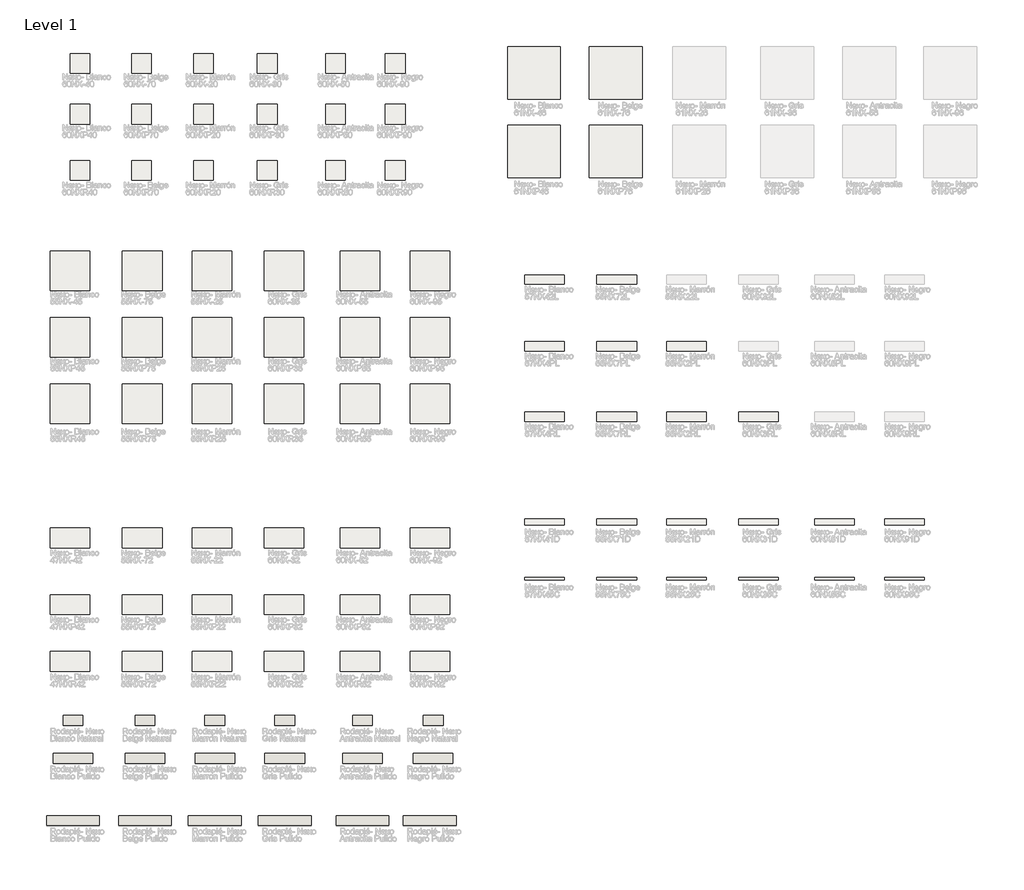
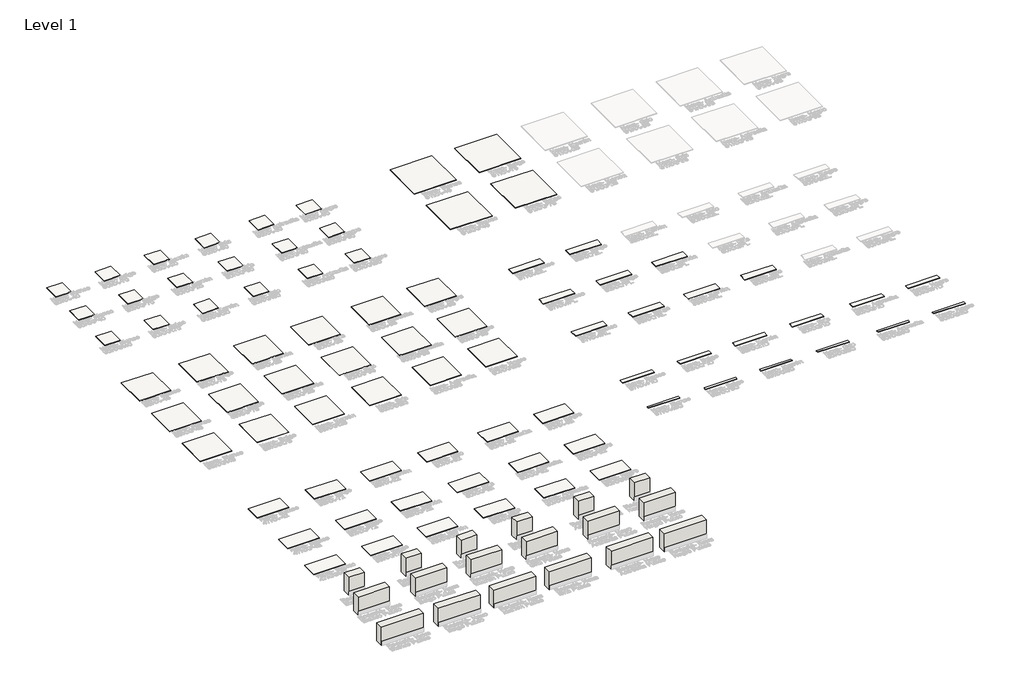
# One storey, part 1 of 45: 79 slabs, 18 walls.
"""IFC4 building model written with IfcOpenShell, lengths in millimetres."""

from ifc_helpers import new_model, si_unit, frame, origin, origin_with_axes, place, context, project, spatial, polyline, outline, extrude, element, save

model = new_model("IFC4")

# Units and contexts
model_context = context("Model", 3, world=origin())
ifc_project = project(units=[si_unit("LENGTHUNIT", "METRE", prefix="MILLI")], contexts=[model_context])

# Site, building, storey
site = spatial("IfcSite", under=ifc_project)
building = spatial("IfcBuilding", under=site)
storey = spatial("IfcBuildingStorey", under=building, Name="Level 1", Elevation=0.0)

# Slabs
placement = place(None, origin())
element("IfcSlab", 1, at=placement, inside=storey, context=model_context, shape_type="SweptSolid", body=[
    extrude(outline(polyline([(-8738.4983754, 6228.7990308), (-8738.4983754, 5928.7990308), (-9038.4983754, 5928.7990308), (-9038.4983754, 6228.7990308), (-8738.4983754, 6228.7990308)])), frame((0.0, 0.0, -10.0), z_axis=(0.0, 0.0, 1.0), x_axis=(1.0, 0.0, 0.0)), (0.0, 0.0, 1.0), 10.0),
])
element("IfcSlab", 2, at=placement, inside=storey, context=model_context, shape_type="SweptSolid", body=[
    extrude(outline(polyline([(-7805.7831247, 6228.7990308), (-7805.7831247, 5928.7990308), (-8105.7831247, 5928.7990308), (-8105.7831247, 6228.7990308), (-7805.7831247, 6228.7990308)])), frame((0.0, 0.0, -10.0), z_axis=(0.0, 0.0, 1.0), x_axis=(1.0, 0.0, 0.0)), (0.0, 0.0, 1.0), 10.0),
])
element("IfcSlab", 3, at=placement, inside=storey, context=model_context, shape_type="SweptSolid", body=[
    extrude(outline(polyline([(-6865.4548413, 6228.7990308), (-6865.4548413, 5928.7990308), (-7165.4548413, 5928.7990308), (-7165.4548413, 6228.7990308), (-6865.4548413, 6228.7990308)])), frame((0.0, 0.0, -10.0), z_axis=(0.0, 0.0, 1.0), x_axis=(1.0, 0.0, 0.0)), (0.0, 0.0, 1.0), 10.0),
])
element("IfcSlab", 4, at=placement, inside=storey, context=model_context, shape_type="SweptSolid", body=[
    extrude(outline(polyline([(-5898.5017333, 6228.7990308), (-5898.5017333, 5928.7990308), (-6198.5017333, 5928.7990308), (-6198.5017333, 6228.7990308), (-5898.5017333, 6228.7990308)])), frame((0.0, 0.0, -10.0), z_axis=(0.0, 0.0, 1.0), x_axis=(1.0, 0.0, 0.0)), (0.0, 0.0, 1.0), 10.0),
])
element("IfcSlab", 5, at=placement, inside=storey, context=model_context, shape_type="SweptSolid", body=[
    extrude(outline(polyline([(-4863.428057, 6228.7990308), (-4863.428057, 5928.7990308), (-5163.428057, 5928.7990308), (-5163.428057, 6228.7990308), (-4863.428057, 6228.7990308)])), frame((0.0, 0.0, -10.0), z_axis=(0.0, 0.0, 1.0), x_axis=(1.0, 0.0, 0.0)), (0.0, 0.0, 1.0), 10.0),
])
element("IfcSlab", 6, at=placement, inside=storey, context=model_context, shape_type="SweptSolid", body=[
    extrude(outline(polyline([(-3959.8652349, 6228.7990308), (-3959.8652349, 5928.7990308), (-4259.8652349, 5928.7990308), (-4259.8652349, 6228.7990308), (-3959.8652349, 6228.7990308)])), frame((0.0, 0.0, -10.0), z_axis=(0.0, 0.0, 1.0), x_axis=(1.0, 0.0, 0.0)), (0.0, 0.0, 1.0), 10.0),
])
element("IfcSlab", 7, at=placement, inside=storey, context=model_context, shape_type="SweptSolid", body=[
    extrude(outline(polyline([(-8738.4983754, 5456.4355685), (-8738.4983754, 5156.4355685), (-9038.4983754, 5156.4355685), (-9038.4983754, 5456.4355685), (-8738.4983754, 5456.4355685)])), frame((0.0, 0.0, -10.0), z_axis=(0.0, 0.0, 1.0), x_axis=(1.0, 0.0, 0.0)), (0.0, 0.0, 1.0), 10.0),
])
element("IfcSlab", 8, at=placement, inside=storey, context=model_context, shape_type="SweptSolid", body=[
    extrude(outline(polyline([(-7805.7831247, 5456.4355685), (-7805.7831247, 5156.4355685), (-8105.7831247, 5156.4355685), (-8105.7831247, 5456.4355685), (-7805.7831247, 5456.4355685)])), frame((0.0, 0.0, -10.0), z_axis=(0.0, 0.0, 1.0), x_axis=(1.0, 0.0, 0.0)), (0.0, 0.0, 1.0), 10.0),
])
element("IfcSlab", 9, at=placement, inside=storey, context=model_context, shape_type="SweptSolid", body=[
    extrude(outline(polyline([(-6865.4548413, 5456.4355685), (-6865.4548413, 5156.4355685), (-7165.4548413, 5156.4355685), (-7165.4548413, 5456.4355685), (-6865.4548413, 5456.4355685)])), frame((0.0, 0.0, -10.0), z_axis=(0.0, 0.0, 1.0), x_axis=(1.0, 0.0, 0.0)), (0.0, 0.0, 1.0), 10.0),
])
element("IfcSlab", 10, at=placement, inside=storey, context=model_context, shape_type="SweptSolid", body=[
    extrude(outline(polyline([(-5898.5017333, 5456.4355685), (-5898.5017333, 5156.4355685), (-6198.5017333, 5156.4355685), (-6198.5017333, 5456.4355685), (-5898.5017333, 5456.4355685)])), frame((0.0, 0.0, -10.0), z_axis=(0.0, 0.0, 1.0), x_axis=(1.0, 0.0, 0.0)), (0.0, 0.0, 1.0), 10.0),
])
element("IfcSlab", 11, at=placement, inside=storey, context=model_context, shape_type="SweptSolid", body=[
    extrude(outline(polyline([(-4863.428057, 5456.4355685), (-4863.428057, 5156.4355685), (-5163.428057, 5156.4355685), (-5163.428057, 5456.4355685), (-4863.428057, 5456.4355685)])), frame((0.0, 0.0, -10.0), z_axis=(0.0, 0.0, 1.0), x_axis=(1.0, 0.0, 0.0)), (0.0, 0.0, 1.0), 10.0),
])
element("IfcSlab", 12, at=placement, inside=storey, context=model_context, shape_type="SweptSolid", body=[
    extrude(outline(polyline([(-3959.8652349, 5456.4355685), (-3959.8652349, 5156.4355685), (-4259.8652349, 5156.4355685), (-4259.8652349, 5456.4355685), (-3959.8652349, 5456.4355685)])), frame((0.0, 0.0, -10.0), z_axis=(0.0, 0.0, 1.0), x_axis=(1.0, 0.0, 0.0)), (0.0, 0.0, 1.0), 10.0),
])
element("IfcSlab", 13, at=placement, inside=storey, context=model_context, shape_type="SweptSolid", body=[
    extrude(outline(polyline([(-8738.4983754, 4604.0721062), (-8738.4983754, 4304.0721062), (-9038.4983754, 4304.0721062), (-9038.4983754, 4604.0721062), (-8738.4983754, 4604.0721062)])), frame((0.0, 0.0, -10.0), z_axis=(0.0, 0.0, 1.0), x_axis=(1.0, 0.0, 0.0)), (0.0, 0.0, 1.0), 10.0),
])
element("IfcSlab", 14, at=placement, inside=storey, context=model_context, shape_type="SweptSolid", body=[
    extrude(outline(polyline([(-7805.7831247, 4604.0721062), (-7805.7831247, 4304.0721062), (-8105.7831247, 4304.0721062), (-8105.7831247, 4604.0721062), (-7805.7831247, 4604.0721062)])), frame((0.0, 0.0, -10.0), z_axis=(0.0, 0.0, 1.0), x_axis=(1.0, 0.0, 0.0)), (0.0, 0.0, 1.0), 10.0),
])
element("IfcSlab", 15, at=placement, inside=storey, context=model_context, shape_type="SweptSolid", body=[
    extrude(outline(polyline([(-6865.4548413, 4604.0721062), (-6865.4548413, 4304.0721062), (-7165.4548413, 4304.0721062), (-7165.4548413, 4604.0721062), (-6865.4548413, 4604.0721062)])), frame((0.0, 0.0, -10.0), z_axis=(0.0, 0.0, 1.0), x_axis=(1.0, 0.0, 0.0)), (0.0, 0.0, 1.0), 10.0),
])
element("IfcSlab", 16, at=placement, inside=storey, context=model_context, shape_type="SweptSolid", body=[
    extrude(outline(polyline([(-5898.5017333, 4604.0721062), (-5898.5017333, 4304.0721062), (-6198.5017333, 4304.0721062), (-6198.5017333, 4604.0721062), (-5898.5017333, 4604.0721062)])), frame((0.0, 0.0, -10.0), z_axis=(0.0, 0.0, 1.0), x_axis=(1.0, 0.0, 0.0)), (0.0, 0.0, 1.0), 10.0),
])
element("IfcSlab", 17, at=placement, inside=storey, context=model_context, shape_type="SweptSolid", body=[
    extrude(outline(polyline([(-4863.428057, 4604.0721062), (-4863.428057, 4304.0721062), (-5163.428057, 4304.0721062), (-5163.428057, 4604.0721062), (-4863.428057, 4604.0721062)])), frame((0.0, 0.0, -10.0), z_axis=(0.0, 0.0, 1.0), x_axis=(1.0, 0.0, 0.0)), (0.0, 0.0, 1.0), 10.0),
])
element("IfcSlab", 18, at=placement, inside=storey, context=model_context, shape_type="SweptSolid", body=[
    extrude(outline(polyline([(-3959.8652349, 4604.0721062), (-3959.8652349, 4304.0721062), (-4259.8652349, 4304.0721062), (-4259.8652349, 4604.0721062), (-3959.8652349, 4604.0721062)])), frame((0.0, 0.0, -10.0), z_axis=(0.0, 0.0, 1.0), x_axis=(1.0, 0.0, 0.0)), (0.0, 0.0, 1.0), 10.0),
])
element("IfcSlab", 19, at=placement, inside=storey, context=model_context, shape_type="SweptSolid", body=[
    extrude(outline(polyline([(-1605.1051892, 6334.7078372), (-1605.1051892, 5534.7078372), (-2405.1051892, 5534.7078372), (-2405.1051892, 6334.7078372), (-1605.1051892, 6334.7078372)])), frame((0.0, 0.0, -10.0), z_axis=(0.0, 0.0, 1.0), x_axis=(1.0, 0.0, 0.0)), (0.0, 0.0, 1.0), 10.0),
])
element("IfcSlab", 20, at=placement, inside=storey, context=model_context, shape_type="SweptSolid", body=[
    extrude(outline(polyline([(-364.7769057, 6334.7078372), (-364.7769057, 5534.7078372), (-1164.7769057, 5534.7078372), (-1164.7769057, 6334.7078372), (-364.7769057, 6334.7078372)])), frame((0.0, 0.0, -10.0), z_axis=(0.0, 0.0, 1.0), x_axis=(1.0, 0.0, 0.0)), (0.0, 0.0, 1.0), 10.0),
])
element("IfcSlab", 21, at=placement, inside=storey, context=model_context, shape_type="SweptSolid", body=[
    extrude(outline(polyline([(-1605.1051892, 5143.8240732), (-1605.1051892, 4343.8240732), (-2405.1051892, 4343.8240732), (-2405.1051892, 5143.8240732), (-1605.1051892, 5143.8240732)])), frame((0.0, 0.0, -10.0), z_axis=(0.0, 0.0, 1.0), x_axis=(1.0, 0.0, 0.0)), (0.0, 0.0, 1.0), 10.0),
])
element("IfcSlab", 22, at=placement, inside=storey, context=model_context, shape_type="SweptSolid", body=[
    extrude(outline(polyline([(-364.7769057, 5143.8240732), (-364.7769057, 4343.8240732), (-1164.7769057, 4343.8240732), (-1164.7769057, 5143.8240732), (-364.7769057, 5143.8240732)])), frame((0.0, 0.0, -10.0), z_axis=(0.0, 0.0, 1.0), x_axis=(1.0, 0.0, 0.0)), (0.0, 0.0, 1.0), 10.0),
])
element("IfcSlab", 23, at=placement, inside=storey, context=model_context, shape_type="SweptSolid", body=[
    extrude(outline(polyline([(-8738.4983754, 3228.7990308), (-8738.4983754, 2628.7990308), (-9338.4983754, 2628.7990308), (-9338.4983754, 3228.7990308), (-8738.4983754, 3228.7990308)])), frame((0.0, 0.0, -10.0), z_axis=(0.0, 0.0, 1.0), x_axis=(1.0, 0.0, 0.0)), (0.0, 0.0, 1.0), 10.0),
])
element("IfcSlab", 24, at=placement, inside=storey, context=model_context, shape_type="SweptSolid", body=[
    extrude(outline(polyline([(-7645.7831247, 3228.7990308), (-7645.7831247, 2628.7990308), (-8245.7831247, 2628.7990308), (-8245.7831247, 3228.7990308), (-7645.7831247, 3228.7990308)])), frame((0.0, 0.0, -10.0), z_axis=(0.0, 0.0, 1.0), x_axis=(1.0, 0.0, 0.0)), (0.0, 0.0, 1.0), 10.0),
])
element("IfcSlab", 25, at=placement, inside=storey, context=model_context, shape_type="SweptSolid", body=[
    extrude(outline(polyline([(-6585.4548413, 3228.7990308), (-6585.4548413, 2628.7990308), (-7185.4548413, 2628.7990308), (-7185.4548413, 3228.7990308), (-6585.4548413, 3228.7990308)])), frame((0.0, 0.0, -10.0), z_axis=(0.0, 0.0, 1.0), x_axis=(1.0, 0.0, 0.0)), (0.0, 0.0, 1.0), 10.0),
])
element("IfcSlab", 26, at=placement, inside=storey, context=model_context, shape_type="SweptSolid", body=[
    extrude(outline(polyline([(-5498.5017333, 3228.7990308), (-5498.5017333, 2628.7990308), (-6098.5017333, 2628.7990308), (-6098.5017333, 3228.7990308), (-5498.5017333, 3228.7990308)])), frame((0.0, 0.0, -10.0), z_axis=(0.0, 0.0, 1.0), x_axis=(1.0, 0.0, 0.0)), (0.0, 0.0, 1.0), 10.0),
])
element("IfcSlab", 27, at=placement, inside=storey, context=model_context, shape_type="SweptSolid", body=[
    extrude(outline(polyline([(-4343.428057, 3228.7990308), (-4343.428057, 2628.7990308), (-4943.428057, 2628.7990308), (-4943.428057, 3228.7990308), (-4343.428057, 3228.7990308)])), frame((0.0, 0.0, -10.0), z_axis=(0.0, 0.0, 1.0), x_axis=(1.0, 0.0, 0.0)), (0.0, 0.0, 1.0), 10.0),
])
element("IfcSlab", 28, at=placement, inside=storey, context=model_context, shape_type="SweptSolid", body=[
    extrude(outline(polyline([(-3279.8652349, 3228.7990308), (-3279.8652349, 2628.7990308), (-3879.8652349, 2628.7990308), (-3879.8652349, 3228.7990308), (-3279.8652349, 3228.7990308)])), frame((0.0, 0.0, -10.0), z_axis=(0.0, 0.0, 1.0), x_axis=(1.0, 0.0, 0.0)), (0.0, 0.0, 1.0), 10.0),
])
element("IfcSlab", 29, at=placement, inside=storey, context=model_context, shape_type="SweptSolid", body=[
    extrude(outline(polyline([(-8738.4983754, 2221.3053972), (-8738.4983754, 1621.3053972), (-9338.4983754, 1621.3053972), (-9338.4983754, 2221.3053972), (-8738.4983754, 2221.3053972)])), frame((0.0, 0.0, -10.0), z_axis=(0.0, 0.0, 1.0), x_axis=(1.0, 0.0, 0.0)), (0.0, 0.0, 1.0), 10.0),
])
element("IfcSlab", 30, at=placement, inside=storey, context=model_context, shape_type="SweptSolid", body=[
    extrude(outline(polyline([(-7645.7831247, 2221.3053972), (-7645.7831247, 1621.3053972), (-8245.7831247, 1621.3053972), (-8245.7831247, 2221.3053972), (-7645.7831247, 2221.3053972)])), frame((0.0, 0.0, -10.0), z_axis=(0.0, 0.0, 1.0), x_axis=(1.0, 0.0, 0.0)), (0.0, 0.0, 1.0), 10.0),
])
element("IfcSlab", 31, at=placement, inside=storey, context=model_context, shape_type="SweptSolid", body=[
    extrude(outline(polyline([(-6585.4548413, 2221.3053972), (-6585.4548413, 1621.3053972), (-7185.4548413, 1621.3053972), (-7185.4548413, 2221.3053972), (-6585.4548413, 2221.3053972)])), frame((0.0, 0.0, -10.0), z_axis=(0.0, 0.0, 1.0), x_axis=(1.0, 0.0, 0.0)), (0.0, 0.0, 1.0), 10.0),
])
element("IfcSlab", 32, at=placement, inside=storey, context=model_context, shape_type="SweptSolid", body=[
    extrude(outline(polyline([(-5498.5017333, 2221.3053972), (-5498.5017333, 1621.3053972), (-6098.5017333, 1621.3053972), (-6098.5017333, 2221.3053972), (-5498.5017333, 2221.3053972)])), frame((0.0, 0.0, -10.0), z_axis=(0.0, 0.0, 1.0), x_axis=(1.0, 0.0, 0.0)), (0.0, 0.0, 1.0), 10.0),
])
element("IfcSlab", 33, at=placement, inside=storey, context=model_context, shape_type="SweptSolid", body=[
    extrude(outline(polyline([(-4343.428057, 2221.3053972), (-4343.428057, 1621.3053972), (-4943.428057, 1621.3053972), (-4943.428057, 2221.3053972), (-4343.428057, 2221.3053972)])), frame((0.0, 0.0, -10.0), z_axis=(0.0, 0.0, 1.0), x_axis=(1.0, 0.0, 0.0)), (0.0, 0.0, 1.0), 10.0),
])
element("IfcSlab", 34, at=placement, inside=storey, context=model_context, shape_type="SweptSolid", body=[
    extrude(outline(polyline([(-3279.8652349, 2221.3053972), (-3279.8652349, 1621.3053972), (-3879.8652349, 1621.3053972), (-3879.8652349, 2221.3053972), (-3279.8652349, 2221.3053972)])), frame((0.0, 0.0, -10.0), z_axis=(0.0, 0.0, 1.0), x_axis=(1.0, 0.0, 0.0)), (0.0, 0.0, 1.0), 10.0),
])
element("IfcSlab", 35, at=placement, inside=storey, context=model_context, shape_type="SweptSolid", body=[
    extrude(outline(polyline([(-8738.4983754, 1213.8117636), (-8738.4983754, 613.8117636), (-9338.4983754, 613.8117636), (-9338.4983754, 1213.8117636), (-8738.4983754, 1213.8117636)])), frame((0.0, 0.0, -10.0), z_axis=(0.0, 0.0, 1.0), x_axis=(1.0, 0.0, 0.0)), (0.0, 0.0, 1.0), 10.0),
])
element("IfcSlab", 36, at=placement, inside=storey, context=model_context, shape_type="SweptSolid", body=[
    extrude(outline(polyline([(-7645.7831247, 1213.8117636), (-7645.7831247, 613.8117636), (-8245.7831247, 613.8117636), (-8245.7831247, 1213.8117636), (-7645.7831247, 1213.8117636)])), frame((0.0, 0.0, -10.0), z_axis=(0.0, 0.0, 1.0), x_axis=(1.0, 0.0, 0.0)), (0.0, 0.0, 1.0), 10.0),
])
element("IfcSlab", 37, at=placement, inside=storey, context=model_context, shape_type="SweptSolid", body=[
    extrude(outline(polyline([(-6585.4548413, 1213.8117636), (-6585.4548413, 613.8117636), (-7185.4548413, 613.8117636), (-7185.4548413, 1213.8117636), (-6585.4548413, 1213.8117636)])), frame((0.0, 0.0, -10.0), z_axis=(0.0, 0.0, 1.0), x_axis=(1.0, 0.0, 0.0)), (0.0, 0.0, 1.0), 10.0),
])
element("IfcSlab", 38, at=placement, inside=storey, context=model_context, shape_type="SweptSolid", body=[
    extrude(outline(polyline([(-5498.5017333, 1213.8117636), (-5498.5017333, 613.8117636), (-6098.5017333, 613.8117636), (-6098.5017333, 1213.8117636), (-5498.5017333, 1213.8117636)])), frame((0.0, 0.0, -10.0), z_axis=(0.0, 0.0, 1.0), x_axis=(1.0, 0.0, 0.0)), (0.0, 0.0, 1.0), 10.0),
])
element("IfcSlab", 39, at=placement, inside=storey, context=model_context, shape_type="SweptSolid", body=[
    extrude(outline(polyline([(-4343.428057, 1213.8117636), (-4343.428057, 613.8117636), (-4943.428057, 613.8117636), (-4943.428057, 1213.8117636), (-4343.428057, 1213.8117636)])), frame((0.0, 0.0, -10.0), z_axis=(0.0, 0.0, 1.0), x_axis=(1.0, 0.0, 0.0)), (0.0, 0.0, 1.0), 10.0),
])
element("IfcSlab", 40, at=placement, inside=storey, context=model_context, shape_type="SweptSolid", body=[
    extrude(outline(polyline([(-3279.8652349, 1213.8117636), (-3279.8652349, 613.8117636), (-3879.8652349, 613.8117636), (-3879.8652349, 1213.8117636), (-3279.8652349, 1213.8117636)])), frame((0.0, 0.0, -10.0), z_axis=(0.0, 0.0, 1.0), x_axis=(1.0, 0.0, 0.0)), (0.0, 0.0, 1.0), 10.0),
])
element("IfcSlab", 41, at=placement, inside=storey, context=model_context, shape_type="SweptSolid", body=[
    extrude(outline(polyline([(-8738.4983754, -971.2009692), (-8738.4983754, -1271.2009692), (-9338.4983754, -1271.2009692), (-9338.4983754, -971.2009692), (-8738.4983754, -971.2009692)])), frame((0.0, 0.0, -10.0), z_axis=(0.0, 0.0, 1.0), x_axis=(1.0, 0.0, 0.0)), (0.0, 0.0, 1.0), 10.0),
])
element("IfcSlab", 42, at=placement, inside=storey, context=model_context, shape_type="SweptSolid", body=[
    extrude(outline(polyline([(-7645.7831247, -971.2009692), (-7645.7831247, -1271.2009692), (-8245.7831247, -1271.2009692), (-8245.7831247, -971.2009692), (-7645.7831247, -971.2009692)])), frame((0.0, 0.0, -10.0), z_axis=(0.0, 0.0, 1.0), x_axis=(1.0, 0.0, 0.0)), (0.0, 0.0, 1.0), 10.0),
])
element("IfcSlab", 43, at=placement, inside=storey, context=model_context, shape_type="SweptSolid", body=[
    extrude(outline(polyline([(-6585.4548413, -971.2009692), (-6585.4548413, -1271.2009692), (-7185.4548413, -1271.2009692), (-7185.4548413, -971.2009692), (-6585.4548413, -971.2009692)])), frame((0.0, 0.0, -10.0), z_axis=(0.0, 0.0, 1.0), x_axis=(1.0, 0.0, 0.0)), (0.0, 0.0, 1.0), 10.0),
])
element("IfcSlab", 44, at=placement, inside=storey, context=model_context, shape_type="SweptSolid", body=[
    extrude(outline(polyline([(-5498.5017333, -971.2009692), (-5498.5017333, -1271.2009692), (-6098.5017333, -1271.2009692), (-6098.5017333, -971.2009692), (-5498.5017333, -971.2009692)])), frame((0.0, 0.0, -10.0), z_axis=(0.0, 0.0, 1.0), x_axis=(1.0, 0.0, 0.0)), (0.0, 0.0, 1.0), 10.0),
])
element("IfcSlab", 45, at=placement, inside=storey, context=model_context, shape_type="SweptSolid", body=[
    extrude(outline(polyline([(-4343.428057, -971.2009692), (-4343.428057, -1271.2009692), (-4943.428057, -1271.2009692), (-4943.428057, -971.2009692), (-4343.428057, -971.2009692)])), frame((0.0, 0.0, -10.0), z_axis=(0.0, 0.0, 1.0), x_axis=(1.0, 0.0, 0.0)), (0.0, 0.0, 1.0), 10.0),
])
element("IfcSlab", 46, at=placement, inside=storey, context=model_context, shape_type="SweptSolid", body=[
    extrude(outline(polyline([(-3279.8652349, -971.2009692), (-3279.8652349, -1271.2009692), (-3879.8652349, -1271.2009692), (-3879.8652349, -971.2009692), (-3279.8652349, -971.2009692)])), frame((0.0, 0.0, -10.0), z_axis=(0.0, 0.0, 1.0), x_axis=(1.0, 0.0, 0.0)), (0.0, 0.0, 1.0), 10.0),
])
element("IfcSlab", 47, at=placement, inside=storey, context=model_context, shape_type="SweptSolid", body=[
    extrude(outline(polyline([(-8738.4983754, -1983.5644315), (-8738.4983754, -2283.5644315), (-9338.4983754, -2283.5644315), (-9338.4983754, -1983.5644315), (-8738.4983754, -1983.5644315)])), frame((0.0, 0.0, -10.0), z_axis=(0.0, 0.0, 1.0), x_axis=(1.0, 0.0, 0.0)), (0.0, 0.0, 1.0), 10.0),
])
element("IfcSlab", 48, at=placement, inside=storey, context=model_context, shape_type="SweptSolid", body=[
    extrude(outline(polyline([(-7645.7831247, -1983.5644315), (-7645.7831247, -2283.5644315), (-8245.7831247, -2283.5644315), (-8245.7831247, -1983.5644315), (-7645.7831247, -1983.5644315)])), frame((0.0, 0.0, -10.0), z_axis=(0.0, 0.0, 1.0), x_axis=(1.0, 0.0, 0.0)), (0.0, 0.0, 1.0), 10.0),
])
element("IfcSlab", 49, at=placement, inside=storey, context=model_context, shape_type="SweptSolid", body=[
    extrude(outline(polyline([(-6585.4548413, -1983.5644315), (-6585.4548413, -2283.5644315), (-7185.4548413, -2283.5644315), (-7185.4548413, -1983.5644315), (-6585.4548413, -1983.5644315)])), frame((0.0, 0.0, -10.0), z_axis=(0.0, 0.0, 1.0), x_axis=(1.0, 0.0, 0.0)), (0.0, 0.0, 1.0), 10.0),
])
element("IfcSlab", 50, at=placement, inside=storey, context=model_context, shape_type="SweptSolid", body=[
    extrude(outline(polyline([(-5498.5017333, -1983.5644315), (-5498.5017333, -2283.5644315), (-6098.5017333, -2283.5644315), (-6098.5017333, -1983.5644315), (-5498.5017333, -1983.5644315)])), frame((0.0, 0.0, -10.0), z_axis=(0.0, 0.0, 1.0), x_axis=(1.0, 0.0, 0.0)), (0.0, 0.0, 1.0), 10.0),
])
element("IfcSlab", 51, at=placement, inside=storey, context=model_context, shape_type="SweptSolid", body=[
    extrude(outline(polyline([(-4343.428057, -1983.5644315), (-4343.428057, -2283.5644315), (-4943.428057, -2283.5644315), (-4943.428057, -1983.5644315), (-4343.428057, -1983.5644315)])), frame((0.0, 0.0, -10.0), z_axis=(0.0, 0.0, 1.0), x_axis=(1.0, 0.0, 0.0)), (0.0, 0.0, 1.0), 10.0),
])
element("IfcSlab", 52, at=placement, inside=storey, context=model_context, shape_type="SweptSolid", body=[
    extrude(outline(polyline([(-3279.8652349, -1983.5644315), (-3279.8652349, -2283.5644315), (-3879.8652349, -2283.5644315), (-3879.8652349, -1983.5644315), (-3279.8652349, -1983.5644315)])), frame((0.0, 0.0, -10.0), z_axis=(0.0, 0.0, 1.0), x_axis=(1.0, 0.0, 0.0)), (0.0, 0.0, 1.0), 10.0),
])
element("IfcSlab", 53, at=placement, inside=storey, context=model_context, shape_type="SweptSolid", body=[
    extrude(outline(polyline([(-8738.4983754, -2845.9278938), (-8738.4983754, -3145.9278938), (-9338.4983754, -3145.9278938), (-9338.4983754, -2845.9278938), (-8738.4983754, -2845.9278938)])), frame((0.0, 0.0, -10.0), z_axis=(0.0, 0.0, 1.0), x_axis=(1.0, 0.0, 0.0)), (0.0, 0.0, 1.0), 10.0),
])
element("IfcSlab", 54, at=placement, inside=storey, context=model_context, shape_type="SweptSolid", body=[
    extrude(outline(polyline([(-7645.7831247, -2845.9278938), (-7645.7831247, -3145.9278938), (-8245.7831247, -3145.9278938), (-8245.7831247, -2845.9278938), (-7645.7831247, -2845.9278938)])), frame((0.0, 0.0, -10.0), z_axis=(0.0, 0.0, 1.0), x_axis=(1.0, 0.0, 0.0)), (0.0, 0.0, 1.0), 10.0),
])
element("IfcSlab", 55, at=placement, inside=storey, context=model_context, shape_type="SweptSolid", body=[
    extrude(outline(polyline([(-6585.4548413, -2845.9278938), (-6585.4548413, -3145.9278938), (-7185.4548413, -3145.9278938), (-7185.4548413, -2845.9278938), (-6585.4548413, -2845.9278938)])), frame((0.0, 0.0, -10.0), z_axis=(0.0, 0.0, 1.0), x_axis=(1.0, 0.0, 0.0)), (0.0, 0.0, 1.0), 10.0),
])
element("IfcSlab", 56, at=placement, inside=storey, context=model_context, shape_type="SweptSolid", body=[
    extrude(outline(polyline([(-5498.5017333, -2845.9278938), (-5498.5017333, -3145.9278938), (-6098.5017333, -3145.9278938), (-6098.5017333, -2845.9278938), (-5498.5017333, -2845.9278938)])), frame((0.0, 0.0, -10.0), z_axis=(0.0, 0.0, 1.0), x_axis=(1.0, 0.0, 0.0)), (0.0, 0.0, 1.0), 10.0),
])
element("IfcSlab", 57, at=placement, inside=storey, context=model_context, shape_type="SweptSolid", body=[
    extrude(outline(polyline([(-4343.428057, -2845.9278938), (-4343.428057, -3145.9278938), (-4943.428057, -3145.9278938), (-4943.428057, -2845.9278938), (-4343.428057, -2845.9278938)])), frame((0.0, 0.0, -10.0), z_axis=(0.0, 0.0, 1.0), x_axis=(1.0, 0.0, 0.0)), (0.0, 0.0, 1.0), 10.0),
])
element("IfcSlab", 58, at=placement, inside=storey, context=model_context, shape_type="SweptSolid", body=[
    extrude(outline(polyline([(-3279.8652349, -2845.9278938), (-3279.8652349, -3145.9278938), (-3879.8652349, -3145.9278938), (-3879.8652349, -2845.9278938), (-3279.8652349, -2845.9278938)])), frame((0.0, 0.0, -10.0), z_axis=(0.0, 0.0, 1.0), x_axis=(1.0, 0.0, 0.0)), (0.0, 0.0, 1.0), 10.0),
])
element("IfcSlab", 59, at=placement, inside=storey, context=model_context, shape_type="SweptSolid", body=[
    extrude(outline(polyline([(-1542.5458546, 2867.999296), (-1542.5458546, 2727.499296), (-2142.5458546, 2727.499296), (-2142.5458546, 2867.999296), (-1542.5458546, 2867.999296)])), frame((0.0, 0.0, -10.0), z_axis=(0.0, 0.0, 1.0), x_axis=(1.0, 0.0, 0.0)), (0.0, 0.0, 1.0), 10.0),
])
element("IfcSlab", 60, at=placement, inside=storey, context=model_context, shape_type="SweptSolid", body=[
    extrude(outline(polyline([(-449.8306038, 2867.999296), (-449.8306038, 2727.499296), (-1049.8306038, 2727.499296), (-1049.8306038, 2867.999296), (-449.8306038, 2867.999296)])), frame((0.0, 0.0, -10.0), z_axis=(0.0, 0.0, 1.0), x_axis=(1.0, 0.0, 0.0)), (0.0, 0.0, 1.0), 10.0),
])
element("IfcSlab", 61, at=placement, inside=storey, context=model_context, shape_type="SweptSolid", body=[
    extrude(outline(polyline([(-1542.5458546, 1855.6358337), (-1542.5458546, 1715.1358337), (-2142.5458546, 1715.1358337), (-2142.5458546, 1855.6358337), (-1542.5458546, 1855.6358337)])), frame((0.0, 0.0, -10.0), z_axis=(0.0, 0.0, 1.0), x_axis=(1.0, 0.0, 0.0)), (0.0, 0.0, 1.0), 10.0),
])
element("IfcSlab", 62, at=placement, inside=storey, context=model_context, shape_type="SweptSolid", body=[
    extrude(outline(polyline([(-449.8306038, 1855.6358337), (-449.8306038, 1715.1358337), (-1049.8306038, 1715.1358337), (-1049.8306038, 1855.6358337), (-449.8306038, 1855.6358337)])), frame((0.0, 0.0, -10.0), z_axis=(0.0, 0.0, 1.0), x_axis=(1.0, 0.0, 0.0)), (0.0, 0.0, 1.0), 10.0),
])
element("IfcSlab", 63, at=placement, inside=storey, context=model_context, shape_type="SweptSolid", body=[
    extrude(outline(polyline([(610.4976796, 1855.6358337), (610.4976796, 1715.1358337), (10.4976796, 1715.1358337), (10.4976796, 1855.6358337), (610.4976796, 1855.6358337)])), frame((0.0, 0.0, -10.0), z_axis=(0.0, 0.0, 1.0), x_axis=(1.0, 0.0, 0.0)), (0.0, 0.0, 1.0), 10.0),
])
element("IfcSlab", 64, at=placement, inside=storey, context=model_context, shape_type="SweptSolid", body=[
    extrude(outline(polyline([(-1542.5458546, 785.9887581), (-1542.5458546, 645.4887581), (-2142.5458546, 645.4887581), (-2142.5458546, 785.9887581), (-1542.5458546, 785.9887581)])), frame((0.0, 0.0, -10.0), z_axis=(0.0, 0.0, 1.0), x_axis=(1.0, 0.0, 0.0)), (0.0, 0.0, 1.0), 10.0),
])
element("IfcSlab", 65, at=placement, inside=storey, context=model_context, shape_type="SweptSolid", body=[
    extrude(outline(polyline([(-449.8306038, 785.9887581), (-449.8306038, 645.4887581), (-1049.8306038, 645.4887581), (-1049.8306038, 785.9887581), (-449.8306038, 785.9887581)])), frame((0.0, 0.0, -10.0), z_axis=(0.0, 0.0, 1.0), x_axis=(1.0, 0.0, 0.0)), (0.0, 0.0, 1.0), 10.0),
])
element("IfcSlab", 66, at=placement, inside=storey, context=model_context, shape_type="SweptSolid", body=[
    extrude(outline(polyline([(610.4976796, 785.9887581), (610.4976796, 645.4887581), (10.4976796, 645.4887581), (10.4976796, 785.9887581), (610.4976796, 785.9887581)])), frame((0.0, 0.0, -10.0), z_axis=(0.0, 0.0, 1.0), x_axis=(1.0, 0.0, 0.0)), (0.0, 0.0, 1.0), 10.0),
])
element("IfcSlab", 67, at=placement, inside=storey, context=model_context, shape_type="SweptSolid", body=[
    extrude(outline(polyline([(1697.4507876, 785.9887581), (1697.4507876, 645.4887581), (1097.4507876, 645.4887581), (1097.4507876, 785.9887581), (1697.4507876, 785.9887581)])), frame((0.0, 0.0, -10.0), z_axis=(0.0, 0.0, 1.0), x_axis=(1.0, 0.0, 0.0)), (0.0, 0.0, 1.0), 10.0),
])
element("IfcSlab", 68, at=placement, inside=storey, context=model_context, shape_type="SweptSolid", body=[
    extrude(outline(polyline([(-1542.5458546, -832.000704), (-1542.5458546, -922.700704), (-2142.5458546, -922.700704), (-2142.5458546, -832.000704), (-1542.5458546, -832.000704)])), frame((0.0, 0.0, -10.0), z_axis=(0.0, 0.0, 1.0), x_axis=(1.0, 0.0, 0.0)), (0.0, 0.0, 1.0), 10.0),
])
element("IfcSlab", 69, at=placement, inside=storey, context=model_context, shape_type="SweptSolid", body=[
    extrude(outline(polyline([(-449.8306038, -832.000704), (-449.8306038, -922.700704), (-1049.8306038, -922.700704), (-1049.8306038, -832.000704), (-449.8306038, -832.000704)])), frame((0.0, 0.0, -10.0), z_axis=(0.0, 0.0, 1.0), x_axis=(1.0, 0.0, 0.0)), (0.0, 0.0, 1.0), 10.0),
])
element("IfcSlab", 70, at=placement, inside=storey, context=model_context, shape_type="SweptSolid", body=[
    extrude(outline(polyline([(610.4976796, -832.000704), (610.4976796, -922.700704), (10.4976796, -922.700704), (10.4976796, -832.000704), (610.4976796, -832.000704)])), frame((0.0, 0.0, -10.0), z_axis=(0.0, 0.0, 1.0), x_axis=(1.0, 0.0, 0.0)), (0.0, 0.0, 1.0), 10.0),
])
element("IfcSlab", 71, at=placement, inside=storey, context=model_context, shape_type="SweptSolid", body=[
    extrude(outline(polyline([(1697.4507876, -832.000704), (1697.4507876, -922.700704), (1097.4507876, -922.700704), (1097.4507876, -832.000704), (1697.4507876, -832.000704)])), frame((0.0, 0.0, -10.0), z_axis=(0.0, 0.0, 1.0), x_axis=(1.0, 0.0, 0.0)), (0.0, 0.0, 1.0), 10.0),
])
element("IfcSlab", 72, at=placement, inside=storey, context=model_context, shape_type="SweptSolid", body=[
    extrude(outline(polyline([(2852.5244638, -832.000704), (2852.5244638, -922.700704), (2252.5244638, -922.700704), (2252.5244638, -832.000704), (2852.5244638, -832.000704)])), frame((0.0, 0.0, -10.0), z_axis=(0.0, 0.0, 1.0), x_axis=(1.0, 0.0, 0.0)), (0.0, 0.0, 1.0), 10.0),
])
element("IfcSlab", 73, at=placement, inside=storey, context=model_context, shape_type="SweptSolid", body=[
    extrude(outline(polyline([(3916.087286, -832.000704), (3916.087286, -922.700704), (3316.087286, -922.700704), (3316.087286, -832.000704), (3916.087286, -832.000704)])), frame((0.0, 0.0, -10.0), z_axis=(0.0, 0.0, 1.0), x_axis=(1.0, 0.0, 0.0)), (0.0, 0.0, 1.0), 10.0),
])
element("IfcSlab", 74, at=placement, inside=storey, context=model_context, shape_type="SweptSolid", body=[
    extrude(outline(polyline([(-1542.5458546, -1722.000704), (-1542.5458546, -1762.700704), (-2142.5458546, -1762.700704), (-2142.5458546, -1722.000704), (-1542.5458546, -1722.000704)])), frame((0.0, 0.0, -10.0), z_axis=(0.0, 0.0, 1.0), x_axis=(1.0, 0.0, 0.0)), (0.0, 0.0, 1.0), 10.0),
])
element("IfcSlab", 75, at=placement, inside=storey, context=model_context, shape_type="SweptSolid", body=[
    extrude(outline(polyline([(-449.8306038, -1722.000704), (-449.8306038, -1762.700704), (-1049.8306038, -1762.700704), (-1049.8306038, -1722.000704), (-449.8306038, -1722.000704)])), frame((0.0, 0.0, -10.0), z_axis=(0.0, 0.0, 1.0), x_axis=(1.0, 0.0, 0.0)), (0.0, 0.0, 1.0), 10.0),
])
element("IfcSlab", 76, at=placement, inside=storey, context=model_context, shape_type="SweptSolid", body=[
    extrude(outline(polyline([(610.4976796, -1722.000704), (610.4976796, -1762.700704), (10.4976796, -1762.700704), (10.4976796, -1722.000704), (610.4976796, -1722.000704)])), frame((0.0, 0.0, -10.0), z_axis=(0.0, 0.0, 1.0), x_axis=(1.0, 0.0, 0.0)), (0.0, 0.0, 1.0), 10.0),
])
element("IfcSlab", 77, at=placement, inside=storey, context=model_context, shape_type="SweptSolid", body=[
    extrude(outline(polyline([(1697.4507876, -1722.000704), (1697.4507876, -1762.700704), (1097.4507876, -1762.700704), (1097.4507876, -1722.000704), (1697.4507876, -1722.000704)])), frame((0.0, 0.0, -10.0), z_axis=(0.0, 0.0, 1.0), x_axis=(1.0, 0.0, 0.0)), (0.0, 0.0, 1.0), 10.0),
])
element("IfcSlab", 78, at=placement, inside=storey, context=model_context, shape_type="SweptSolid", body=[
    extrude(outline(polyline([(2852.5244638, -1722.000704), (2852.5244638, -1762.700704), (2252.5244638, -1762.700704), (2252.5244638, -1722.000704), (2852.5244638, -1722.000704)])), frame((0.0, 0.0, -10.0), z_axis=(0.0, 0.0, 1.0), x_axis=(1.0, 0.0, 0.0)), (0.0, 0.0, 1.0), 10.0),
])
element("IfcSlab", 79, at=placement, inside=storey, context=model_context, shape_type="SweptSolid", body=[
    extrude(outline(polyline([(3916.087286, -1722.000704), (3916.087286, -1762.700704), (3316.087286, -1762.700704), (3316.087286, -1722.000704), (3916.087286, -1722.000704)])), frame((0.0, 0.0, -10.0), z_axis=(0.0, 0.0, 1.0), x_axis=(1.0, 0.0, 0.0)), (0.0, 0.0, 1.0), 10.0),
])

# Walls
element("IfcWall", 80, ObjectType="Basic Wall", at=placement, inside=storey, context=model_context, shape_type="SweptSolid", body=[
    extrude(outline(polyline([(-8847.2606463, -3965.5194233), (-9147.2606463, -3965.5194233), (-9147.2606463, -3815.5194233), (-8847.2606463, -3815.5194233), (-8847.2606463, -3965.5194233)])), origin_with_axes(), (0.0, 0.0, 1.0), 363.0395321),
])
element("IfcWall", 81, ObjectType="Basic Wall", at=placement, inside=storey, context=model_context, shape_type="SweptSolid", body=[
    extrude(outline(polyline([(-7754.5453956, -3965.5194233), (-8054.5453956, -3965.5194233), (-8054.5453956, -3815.5194233), (-7754.5453956, -3815.5194233), (-7754.5453956, -3965.5194233)])), origin_with_axes(), (0.0, 0.0, 1.0), 363.0395321),
])
element("IfcWall", 82, ObjectType="Basic Wall", at=placement, inside=storey, context=model_context, shape_type="SweptSolid", body=[
    extrude(outline(polyline([(-6694.5453956, -3965.5194233), (-6994.5453956, -3965.5194233), (-6994.5453956, -3815.5194233), (-6694.5453956, -3815.5194233), (-6694.5453956, -3965.5194233)])), origin_with_axes(), (0.0, 0.0, 1.0), 363.0395321),
])
element("IfcWall", 83, ObjectType="Basic Wall", at=placement, inside=storey, context=model_context, shape_type="SweptSolid", body=[
    extrude(outline(polyline([(-5634.5453956, -3965.5194233), (-5934.5453956, -3965.5194233), (-5934.5453956, -3815.5194233), (-5634.5453956, -3815.5194233), (-5634.5453956, -3965.5194233)])), origin_with_axes(), (0.0, 0.0, 1.0), 363.0395321),
])
element("IfcWall", 84, ObjectType="Basic Wall", at=placement, inside=storey, context=model_context, shape_type="SweptSolid", body=[
    extrude(outline(polyline([(-4454.5453956, -3965.5194233), (-4754.5453956, -3965.5194233), (-4754.5453956, -3815.5194233), (-4454.5453956, -3815.5194233), (-4454.5453956, -3965.5194233)])), origin_with_axes(), (0.0, 0.0, 1.0), 363.0395321),
])
element("IfcWall", 85, ObjectType="Basic Wall", at=placement, inside=storey, context=model_context, shape_type="SweptSolid", body=[
    extrude(outline(polyline([(-3384.5453956, -3965.5194233), (-3684.5453956, -3965.5194233), (-3684.5453956, -3815.5194233), (-3384.5453956, -3815.5194233), (-3384.5453956, -3965.5194233)])), origin_with_axes(), (0.0, 0.0, 1.0), 363.0395321),
])
element("IfcWall", 86, ObjectType="Basic Wall", at=placement, inside=storey, context=model_context, shape_type="SweptSolid", body=[
    extrude(outline(polyline([(-8697.2606463, -4540.5194233), (-9297.2606463, -4540.5194233), (-9297.2606463, -4390.5194233), (-8697.2606463, -4390.5194233), (-8697.2606463, -4540.5194233)])), origin_with_axes(), (0.0, 0.0, 1.0), 363.0395321),
])
element("IfcWall", 87, ObjectType="Basic Wall", at=placement, inside=storey, context=model_context, shape_type="SweptSolid", body=[
    extrude(outline(polyline([(-7604.5453956, -4540.5194233), (-8204.5453956, -4540.5194233), (-8204.5453956, -4390.5194233), (-7604.5453956, -4390.5194233), (-7604.5453956, -4540.5194233)])), origin_with_axes(), (0.0, 0.0, 1.0), 363.0395321),
])
element("IfcWall", 88, ObjectType="Basic Wall", at=placement, inside=storey, context=model_context, shape_type="SweptSolid", body=[
    extrude(outline(polyline([(-6544.5453956, -4540.5194233), (-7144.5453956, -4540.5194233), (-7144.5453956, -4390.5194233), (-6544.5453956, -4390.5194233), (-6544.5453956, -4540.5194233)])), origin_with_axes(), (0.0, 0.0, 1.0), 363.0395321),
])
element("IfcWall", 89, ObjectType="Basic Wall", at=placement, inside=storey, context=model_context, shape_type="SweptSolid", body=[
    extrude(outline(polyline([(-5484.5453956, -4540.5194233), (-6084.5453956, -4540.5194233), (-6084.5453956, -4390.5194233), (-5484.5453956, -4390.5194233), (-5484.5453956, -4540.5194233)])), origin_with_axes(), (0.0, 0.0, 1.0), 363.0395321),
])
element("IfcWall", 90, ObjectType="Basic Wall", at=placement, inside=storey, context=model_context, shape_type="SweptSolid", body=[
    extrude(outline(polyline([(-4304.5453956, -4540.5194233), (-4904.5453956, -4540.5194233), (-4904.5453956, -4390.5194233), (-4304.5453956, -4390.5194233), (-4304.5453956, -4540.5194233)])), origin_with_axes(), (0.0, 0.0, 1.0), 363.0395321),
])
element("IfcWall", 91, ObjectType="Basic Wall", at=placement, inside=storey, context=model_context, shape_type="SweptSolid", body=[
    extrude(outline(polyline([(-3234.5453956, -4540.5194233), (-3834.5453956, -4540.5194233), (-3834.5453956, -4390.5194233), (-3234.5453956, -4390.5194233), (-3234.5453956, -4540.5194233)])), origin_with_axes(), (0.0, 0.0, 1.0), 363.0395321),
])
element("IfcWall", 92, ObjectType="Basic Wall", at=placement, inside=storey, context=model_context, shape_type="SweptSolid", body=[
    extrude(outline(polyline([(-8597.2606463, -5485.5194233), (-9397.2606463, -5485.5194233), (-9397.2606463, -5335.5194233), (-8597.2606463, -5335.5194233), (-8597.2606463, -5485.5194233)])), origin_with_axes(), (0.0, 0.0, 1.0), 363.0395321),
])
element("IfcWall", 93, ObjectType="Basic Wall", at=placement, inside=storey, context=model_context, shape_type="SweptSolid", body=[
    extrude(outline(polyline([(-7504.5453956, -5485.5194233), (-8304.5453956, -5485.5194233), (-8304.5453956, -5335.5194233), (-7504.5453956, -5335.5194233), (-7504.5453956, -5485.5194233)])), origin_with_axes(), (0.0, 0.0, 1.0), 363.0395321),
])
element("IfcWall", 94, ObjectType="Basic Wall", at=placement, inside=storey, context=model_context, shape_type="SweptSolid", body=[
    extrude(outline(polyline([(-6444.5453956, -5485.5194233), (-7244.5453956, -5485.5194233), (-7244.5453956, -5335.5194233), (-6444.5453956, -5335.5194233), (-6444.5453956, -5485.5194233)])), origin_with_axes(), (0.0, 0.0, 1.0), 363.0395321),
])
element("IfcWall", 95, ObjectType="Basic Wall", at=placement, inside=storey, context=model_context, shape_type="SweptSolid", body=[
    extrude(outline(polyline([(-5384.5453956, -5485.5194233), (-6184.5453956, -5485.5194233), (-6184.5453956, -5335.5194233), (-5384.5453956, -5335.5194233), (-5384.5453956, -5485.5194233)])), origin_with_axes(), (0.0, 0.0, 1.0), 363.0395321),
])
element("IfcWall", 96, ObjectType="Basic Wall", at=placement, inside=storey, context=model_context, shape_type="SweptSolid", body=[
    extrude(outline(polyline([(-4204.5453956, -5485.5194233), (-5004.5453956, -5485.5194233), (-5004.5453956, -5335.5194233), (-4204.5453956, -5335.5194233), (-4204.5453956, -5485.5194233)])), origin_with_axes(), (0.0, 0.0, 1.0), 363.0395321),
])
element("IfcWall", 97, ObjectType="Basic Wall", at=placement, inside=storey, context=model_context, shape_type="SweptSolid", body=[
    extrude(outline(polyline([(-3184.5453956, -5485.5194233), (-3984.5453956, -5485.5194233), (-3984.5453956, -5335.5194233), (-3184.5453956, -5335.5194233), (-3184.5453956, -5485.5194233)])), origin_with_axes(), (0.0, 0.0, 1.0), 363.0395321),
])

save(model, "model.ifc")
